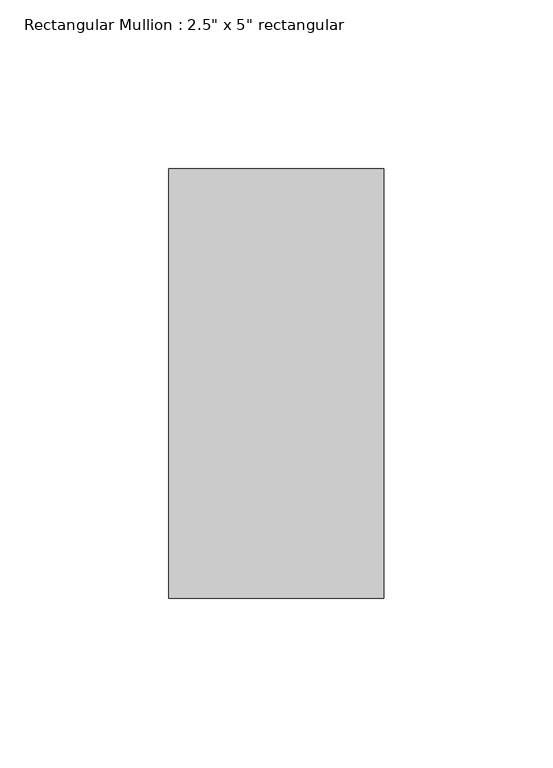
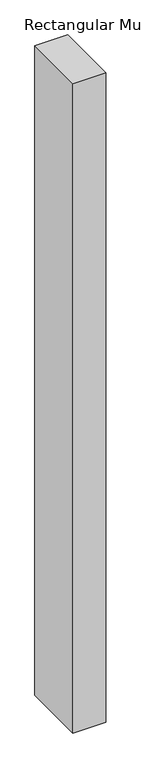
"""IFC4 building model written with IfcOpenShell, lengths in millimetres: member geometry."""

from ifc_helpers import new_model, si_unit, frame, origin, place, context, project, spatial, polyline, outline, extrude, source, transform, mapped, element, save


def member_0b15674d(model_context):
    return source(origin(), model_context, "Body", "SweptSolid", [
        extrude(outline(polyline([(0.0, 63.5), (0.0, -63.5), (-63.5, -63.5), (-63.5, 63.5), (0.0, 63.5)])), frame((0.0, 0.0, -1323.1666667), z_axis=(0.0, 0.0, 1.0), x_axis=(1.0, 0.0, 0.0)), (0.0, 0.0, 1.0), 1323.1666667),
    ])


if __name__ == "__main__":
    model = new_model("IFC4")
    model_context = context("Model", 3, world=origin())
    ifc_project = project(units=[si_unit("LENGTHUNIT", "METRE", prefix="MILLI")], contexts=[model_context])
    site = spatial("IfcSite", under=ifc_project)
    building = spatial("IfcBuilding", under=site)
    placement = place(None, origin())
    member_shape = member_0b15674d(model_context)
    element("IfcMember", 1, ObjectType="Rectangular Mullion : 2.5\" x 5\" rectangular", at=placement, inside=building, context=model_context, shape_type="MappedRepresentation", body=[
        mapped(member_shape, transform((0.0, 0.0, 0.0), x_axis=(1.0, 0.0, 0.0), y_axis=(0.0, 1.0, 0.0), z_axis=(0.0, 0.0, 1.0))),
    ])
    save(model, "model.ifc")
